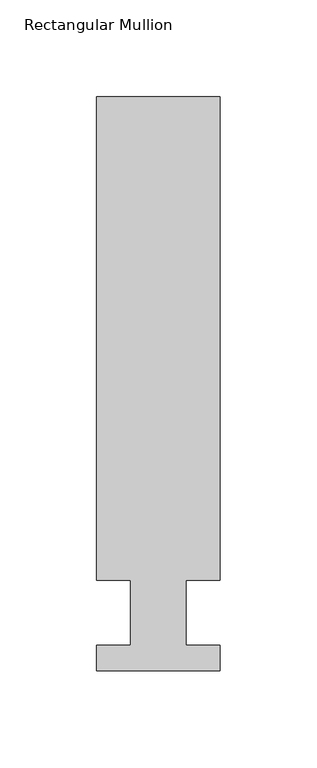
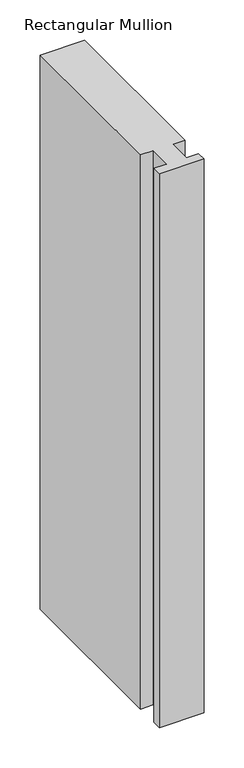
"""IFC4 building model written with IfcOpenShell, lengths in millimetres: member geometry, Rectangular Mullion."""

from ifc_helpers import new_model, si_unit, frame, origin, place, context, project, spatial, polyline, outline, extrude, source, transform, mapped, element, save


def rectangular_mullion_a0b2ac86(model_context):
    return source(origin(), model_context, "Body", "SweptSolid", [
        extrude(outline(polyline([(31.7500002, 295.9695313), (31.7500002, 46.7447312), (14.2748003, 46.7447312), (14.2748003, 13.3945312), (31.7499998, 13.3945312), (31.7499998, 0.2119312), (-31.7500002, 0.2119312), (-31.7500002, 13.3945312), (-14.2748007, 13.3945312), (-14.2748007, 46.7447312), (-31.7500007, 46.7447312), (-31.7500007, 295.9695313), (31.7500002, 295.9695313)])), frame((0.0, 0.0, -838.2), z_axis=(0.0, 0.0, 1.0), x_axis=(1.0, 0.0, 0.0)), (0.0, 0.0, 1.0), 838.2),
    ])


if __name__ == "__main__":
    model = new_model("IFC4")
    model_context = context("Model", 3, world=origin())
    ifc_project = project(units=[si_unit("LENGTHUNIT", "METRE", prefix="MILLI")], contexts=[model_context])
    site = spatial("IfcSite", under=ifc_project)
    building = spatial("IfcBuilding", under=site)
    placement = place(None, origin())
    rectangular_mullion_shape = rectangular_mullion_a0b2ac86(model_context)
    element("IfcMember", 1, ObjectType="Rectangular Mullion", at=placement, inside=building, context=model_context, shape_type="MappedRepresentation", body=[
        mapped(rectangular_mullion_shape, transform((0.0, 0.0, 0.0), x_axis=(1.0, 0.0, 0.0), y_axis=(0.0, 1.0, 0.0), z_axis=(0.0, 0.0, 1.0))),
    ])
    save(model, "model.ifc")
